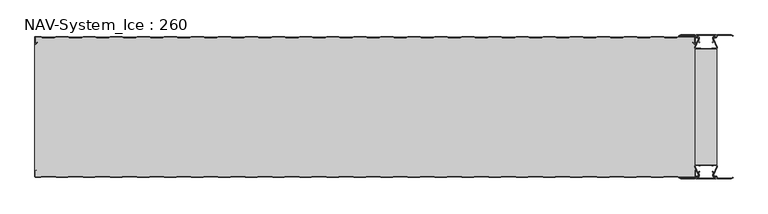
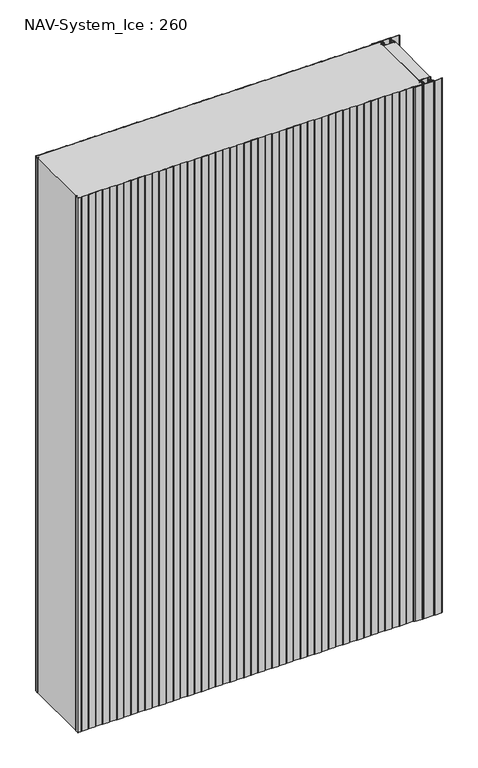
"""IFC4 building model written with IfcOpenShell, lengths in millimetres: plate geometry, NAV-System_Ice : 260."""

from ifc_helpers import new_model, si_unit, point, frame_2d, origin, origin_with_axes, place, context, project, spatial, polyline, circle_curve, trimmed, segment, composite_curve, outline, extrude, source, transform, mapped, element, save


def nav_system_ice_260_412087eb(model_context):
    return source(origin(), model_context, "Body", "SweptSolid", [
        extrude(outline(polyline([(630.0, -236.9693935), (590.0, -236.9693935), (590.0, -23.0306065), (630.0, -23.0306065), (630.0, -236.9693935)])), origin_with_axes(), (0.0, 0.0, 1.0), 2000.0),
        extrude(outline(composite_curve([segment(trimmed(circle_curve(frame_2d((599.1138734, -251.8417863)), 3.357884), [point((596.1169606, -253.3563483))], [point((597.7243711, -248.7848813))], False, "CARTESIAN"), True, "CONTINUOUS"), segment(polyline([(597.7243711, -248.7848813), (598.0554135, -249.5131744)]), True, "CONTINUOUS"), segment(trimmed(circle_curve(frame_2d((599.1138734, -251.8417863)), 2.557884), [point((598.0554135, -249.5131744))], [point((596.8448746, -253.0226397))], True, "CARTESIAN"), True, "CONTINUOUS"), segment(polyline([(596.8448746, -253.0226397), (597.7376807, -255.2182139)]), True, "CONTINUOUS"), segment(trimmed(circle_curve(frame_2d((593.7962884, -256.3456266)), 4.0994674), [point((597.7376807, -255.2182139))], [point((593.7866434, -260.4450826))], False, "CARTESIAN"), True, "CONTINUOUS"), segment(polyline([(593.7866434, -260.4450826), (592.2194901, -260.4092333)]), True, "CONTINUOUS"), segment(trimmed(circle_curve(frame_2d((592.2592624, -261.3027113)), 0.8943628), [point((592.2194901, -260.4092333))], [point((592.2592624, -262.1970741))], True, "CARTESIAN"), True, "CONTINUOUS"), segment(polyline([(592.2592624, -262.1970741), (627.7407376, -262.1970741)]), True, "CONTINUOUS"), segment(trimmed(circle_curve(frame_2d((627.7407376, -261.3027113)), 0.8943628), [point((627.7407376, -262.1970741))], [point((627.7805099, -260.4092333))], True, "CARTESIAN"), True, "CONTINUOUS"), segment(polyline([(627.7805099, -260.4092333), (626.2133566, -260.4450826)]), True, "CONTINUOUS"), segment(trimmed(circle_curve(frame_2d((626.2037116, -256.3456266)), 4.0994674), [point((626.2133566, -260.4450826))], [point((622.2623193, -255.2182139))], False, "CARTESIAN"), True, "CONTINUOUS"), segment(polyline([(622.2623193, -255.2182139), (623.1551254, -253.0226397)]), True, "CONTINUOUS"), segment(trimmed(circle_curve(frame_2d((620.8861266, -251.8417863)), 2.557884), [point((623.1551254, -253.0226397))], [point((621.9445865, -249.5131744))], True, "CARTESIAN"), True, "CONTINUOUS"), segment(polyline([(621.9445865, -249.5131744), (622.2756289, -248.7848813)]), True, "CONTINUOUS"), segment(trimmed(circle_curve(frame_2d((620.8861266, -251.8417863)), 3.357884), [point((622.2756289, -248.7848813))], [point((623.8830394, -253.3563483))], False, "CARTESIAN"), True, "CONTINUOUS"), segment(polyline([(623.8830394, -253.3563483), (623.0205049, -255.4774793)]), True, "CONTINUOUS"), segment(trimmed(circle_curve(frame_2d((626.2037116, -256.3456266)), 3.2994674), [point((623.0205049, -255.4774793))], [point((626.2037116, -259.645094))], True, "CARTESIAN"), True, "CONTINUOUS"), segment(polyline([(626.2037116, -259.645094), (627.7848884, -259.6089239)]), True, "CONTINUOUS"), segment(trimmed(circle_curve(frame_2d((627.7407376, -261.3027113)), 1.6943628), [point((627.7848884, -259.6089239))], [point((627.7407423, -262.9970741))], False, "CARTESIAN"), True, "CONTINUOUS"), segment(polyline([(627.7407423, -262.9970741), (592.2592577, -262.9970741)]), True, "CONTINUOUS"), segment(trimmed(circle_curve(frame_2d((592.2592624, -261.3027113)), 1.6943628), [point((592.2592577, -262.9970741))], [point((592.2151116, -259.6089239))], False, "CARTESIAN"), True, "CONTINUOUS"), segment(polyline([(592.2151116, -259.6089239), (593.7962884, -259.645094)]), True, "CONTINUOUS"), segment(trimmed(circle_curve(frame_2d((593.7962884, -256.3456266)), 3.2994674), [point((593.7962884, -259.645094))], [point((596.9794951, -255.4774793))], True, "CARTESIAN"), True, "CONTINUOUS"), segment(polyline([(596.9794951, -255.4774793), (596.1169606, -253.3563483)]), True, "CONTINUOUS")], self_intersect=False)), origin_with_axes(), (0.0, 0.0, 1.0), 2000.0),
        extrude(outline(composite_curve([segment(polyline([(596.1169606, -6.6436517), (596.9794951, -4.5225207)]), True, "CONTINUOUS"), segment(trimmed(circle_curve(frame_2d((593.7962884, -3.6543734)), 3.2994674), [point((596.9794951, -4.5225207))], [point((593.7962884, -0.354906))], True, "CARTESIAN"), True, "CONTINUOUS"), segment(polyline([(593.7962884, -0.354906), (592.2151116, -0.3910761)]), True, "CONTINUOUS"), segment(trimmed(circle_curve(frame_2d((592.2592624, 1.3027113)), 1.6943628), [point((592.2151116, -0.3910761))], [point((592.2592577, 2.9970741))], False, "CARTESIAN"), True, "CONTINUOUS"), segment(polyline([(592.2592577, 2.9970741), (627.7407423, 2.9970741)]), True, "CONTINUOUS"), segment(trimmed(circle_curve(frame_2d((627.7407376, 1.3027113)), 1.6943628), [point((627.7407423, 2.9970741))], [point((627.7848884, -0.3910761))], False, "CARTESIAN"), True, "CONTINUOUS"), segment(polyline([(627.7848884, -0.3910761), (626.2037116, -0.354906)]), True, "CONTINUOUS"), segment(trimmed(circle_curve(frame_2d((626.2037116, -3.6543734)), 3.2994674), [point((626.2037116, -0.354906))], [point((623.0205049, -4.5225207))], True, "CARTESIAN"), True, "CONTINUOUS"), segment(polyline([(623.0205049, -4.5225207), (623.8830394, -6.6436517)]), True, "CONTINUOUS"), segment(trimmed(circle_curve(frame_2d((620.8861266, -8.1582137)), 3.357884), [point((623.8830394, -6.6436517))], [point((622.2756289, -11.2151187))], False, "CARTESIAN"), True, "CONTINUOUS"), segment(polyline([(622.2756289, -11.2151187), (621.9445865, -10.4868256)]), True, "CONTINUOUS"), segment(trimmed(circle_curve(frame_2d((620.8861266, -8.1582137)), 2.557884), [point((621.9445865, -10.4868256))], [point((623.1551254, -6.9773603))], True, "CARTESIAN"), True, "CONTINUOUS"), segment(polyline([(623.1551254, -6.9773603), (622.2623193, -4.7817861)]), True, "CONTINUOUS"), segment(trimmed(circle_curve(frame_2d((626.2037116, -3.6543734)), 4.0994674), [point((622.2623193, -4.7817861))], [point((626.2133566, 0.4450826))], False, "CARTESIAN"), True, "CONTINUOUS"), segment(polyline([(626.2133566, 0.4450826), (627.7805099, 0.4092333)]), True, "CONTINUOUS"), segment(trimmed(circle_curve(frame_2d((627.7407376, 1.3027113)), 0.8943628), [point((627.7805099, 0.4092333))], [point((627.7407376, 2.1970741))], True, "CARTESIAN"), True, "CONTINUOUS"), segment(polyline([(627.7407376, 2.1970741), (592.2592624, 2.1970741)]), True, "CONTINUOUS"), segment(trimmed(circle_curve(frame_2d((592.2592624, 1.3027113)), 0.8943628), [point((592.2592624, 2.1970741))], [point((592.2194901, 0.4092333))], True, "CARTESIAN"), True, "CONTINUOUS"), segment(polyline([(592.2194901, 0.4092333), (593.7866434, 0.4450826)]), True, "CONTINUOUS"), segment(trimmed(circle_curve(frame_2d((593.7962884, -3.6543734)), 4.0994674), [point((593.7866434, 0.4450826))], [point((597.7376807, -4.7817861))], False, "CARTESIAN"), True, "CONTINUOUS"), segment(polyline([(597.7376807, -4.7817861), (596.8448746, -6.9773603)]), True, "CONTINUOUS"), segment(trimmed(circle_curve(frame_2d((599.1138734, -8.1582137)), 2.557884), [point((596.8448746, -6.9773603))], [point((598.0554135, -10.4868256))], True, "CARTESIAN"), True, "CONTINUOUS"), segment(polyline([(598.0554135, -10.4868256), (597.7243711, -11.2151187)]), True, "CONTINUOUS"), segment(trimmed(circle_curve(frame_2d((599.1138734, -8.1582137)), 3.357884), [point((597.7243711, -11.2151187))], [point((596.1169606, -6.6436517))], False, "CARTESIAN"), True, "CONTINUOUS")], self_intersect=False)), origin_with_axes(), (0.0, 0.0, 1.0), 2000.0),
        extrude(outline(composite_curve([segment(trimmed(circle_curve(frame_2d((591.9446371, -239.7746821)), 1.80576), [point((591.9446371, -237.9689221))], [point((590.2170288, -240.300171))], True, "CARTESIAN"), True, "CONTINUOUS"), segment(polyline([(590.2170288, -240.300171), (596.4690067, -254.9459892)]), True, "CONTINUOUS"), segment(trimmed(circle_curve(frame_2d((593.7254406, -255.9868127)), 2.93436), [point((596.4690067, -254.9459892))], [point((593.7254406, -258.9211727))], False, "CARTESIAN"), True, "CONTINUOUS"), segment(polyline([(593.7254406, -258.9211727), (592.1347887, -258.9211727)]), True, "CONTINUOUS"), segment(trimmed(circle_curve(frame_2d((592.1347887, -260.5012127)), 1.58004), [point((592.1347887, -258.9211727))], [point((590.931072, -259.4776931))], True, "CARTESIAN"), True, "CONTINUOUS"), segment(polyline([(590.931072, -259.4776931), (589.0191946, -263.0112573), (562.9417977, -263.0112573), (560.0, -261.2043676), (560.523373, -260.3522639), (563.2243806, -262.0112573), (588.4232658, -262.0112573), (590.0952671, -258.9210361)]), True, "CONTINUOUS"), segment(trimmed(circle_curve(frame_2d((592.1347887, -260.5012127)), 2.58004), [point((590.0952671, -258.9210361))], [point((592.1347887, -257.9211727))], False, "CARTESIAN"), True, "CONTINUOUS"), segment(polyline([(592.1347887, -257.9211727), (593.7254406, -257.9211727)]), True, "CONTINUOUS"), segment(trimmed(circle_curve(frame_2d((593.7254406, -255.9868127)), 1.93436), [point((593.7254406, -257.9211727))], [point((595.5404425, -255.3178459))], True, "CARTESIAN"), True, "CONTINUOUS"), segment(polyline([(595.5404425, -255.3178459), (589.2784311, -240.6484726)]), True, "CONTINUOUS"), segment(trimmed(circle_curve(frame_2d((591.9446225, -239.7747413)), 2.8057055), [point((589.2784311, -240.6484726))], [point((591.9446225, -236.9690357))], False, "CARTESIAN"), True, "CONTINUOUS"), segment(polyline([(591.9446225, -236.9690357), (595.755568, -236.9690357)]), True, "CONTINUOUS"), segment(trimmed(circle_curve(frame_2d((595.7555679, -239.0975873)), 2.1285516), [point((595.755568, -236.9690357))], [point((597.1042828, -237.4508633))], False, "CARTESIAN"), True, "CONTINUOUS"), segment(trimmed(circle_curve(frame_2d((598.2552034, -236.0456377)), 1.8163913), [point((597.1042828, -237.4508633))], [point((599.4059468, -237.4510085))], True, "CARTESIAN"), True, "CONTINUOUS"), segment(trimmed(circle_curve(frame_2d((600.7543352, -239.0977575)), 2.128364), [point((599.4059468, -237.4510085))], [point((600.7543352, -236.9693935))], False, "CARTESIAN"), True, "CONTINUOUS"), segment(polyline([(600.7543352, -236.9693935), (619.2454674, -236.9693935)]), True, "CONTINUOUS"), segment(trimmed(circle_curve(frame_2d((619.2454674, -239.0977884)), 2.1283949), [point((619.2454674, -236.9693935))], [point((620.594293, -237.4513576))], False, "CARTESIAN"), True, "CONTINUOUS"), segment(trimmed(circle_curve(frame_2d((621.7456338, -236.0459847)), 1.8167715), [point((620.594293, -237.4513576))], [point((622.8963798, -237.4518446))], True, "CARTESIAN"), True, "CONTINUOUS"), segment(trimmed(circle_curve(frame_2d((624.244105, -239.0983528)), 2.1277576), [point((622.8963798, -237.4518446))], [point((624.244105, -236.9705952))], False, "CARTESIAN"), True, "CONTINUOUS"), segment(polyline([(624.244105, -236.9705952), (628.0535675, -236.9705952)]), True, "CONTINUOUS"), segment(trimmed(circle_curve(frame_2d((628.0535675, -239.7787791)), 2.8081839), [point((628.0535675, -236.9705952))], [point((630.7287795, -240.6326746))], False, "CARTESIAN"), True, "CONTINUOUS"), segment(polyline([(630.7287795, -240.6326746), (624.4595575, -255.3178459)]), True, "CONTINUOUS"), segment(trimmed(circle_curve(frame_2d((626.2745595, -255.9868127)), 1.93436), [point((624.4595575, -255.3178459))], [point((626.2745595, -257.9211727))], True, "CARTESIAN"), True, "CONTINUOUS"), segment(polyline([(626.2745595, -257.9211727), (627.8652113, -257.9211727)]), True, "CONTINUOUS"), segment(trimmed(circle_curve(frame_2d((627.8652113, -260.5012127)), 2.58004), [point((627.8652113, -257.9211727))], [point((629.9047329, -258.9210361))], False, "CARTESIAN"), True, "CONTINUOUS"), segment(polyline([(629.9047329, -258.9210361), (631.5767342, -262.0112573), (656.7756194, -262.0112573), (659.476627, -260.3522639), (660.0, -261.2043676), (657.0582024, -263.0112573), (630.9808054, -263.0112573), (629.068928, -259.4776931)]), True, "CONTINUOUS"), segment(trimmed(circle_curve(frame_2d((627.8652113, -260.5012127)), 1.58004), [point((629.068928, -259.4776931))], [point((627.8652113, -258.9211727))], True, "CARTESIAN"), True, "CONTINUOUS"), segment(polyline([(627.8652113, -258.9211727), (626.2745595, -258.9211727)]), True, "CONTINUOUS"), segment(trimmed(circle_curve(frame_2d((626.2745595, -255.9868127)), 2.93436), [point((626.2745595, -258.9211727))], [point((623.5309933, -254.9459892))], False, "CARTESIAN"), True, "CONTINUOUS"), segment(polyline([(623.5309933, -254.9459892), (629.7829713, -240.300171)]), True, "CONTINUOUS"), segment(trimmed(circle_curve(frame_2d((628.0553629, -239.7746822)), 1.80576), [point((629.7829713, -240.300171))], [point((628.0553629, -237.9689222))], True, "CARTESIAN"), True, "CONTINUOUS"), segment(polyline([(628.0553629, -237.9689222), (623.5184731, -237.9689222)]), True, "CONTINUOUS"), segment(trimmed(circle_curve(frame_2d((621.7449981, -236.0455076)), 2.6162449), [point((623.5184731, -237.9689222))], [point((619.7766029, -237.7689222))], False, "CARTESIAN"), True, "CONTINUOUS"), segment(polyline([(619.7766029, -237.7689222), (600.2233971, -237.7689222)]), True, "CONTINUOUS"), segment(trimmed(circle_curve(frame_2d((598.255002, -236.0455076)), 2.6162449), [point((600.2233971, -237.7689222))], [point((596.4815269, -237.9689221))], False, "CARTESIAN"), True, "CONTINUOUS"), segment(polyline([(596.4815269, -237.9689221), (591.9446371, -237.9689221)]), True, "CONTINUOUS")], self_intersect=False)), origin_with_axes(), (0.0, 0.0, 1.0), 2000.0),
        extrude(outline(composite_curve([segment(polyline([(591.9446371, -22.0310778), (596.4815269, -22.0310778)]), True, "CONTINUOUS"), segment(trimmed(circle_curve(frame_2d((598.2550019, -23.9544924)), 2.6162449), [point((596.4815269, -22.0310778))], [point((600.2233971, -22.2310778))], False, "CARTESIAN"), True, "CONTINUOUS"), segment(polyline([(600.2233971, -22.2310778), (619.7766029, -22.2310778)]), True, "CONTINUOUS"), segment(trimmed(circle_curve(frame_2d((621.7449981, -23.9544924)), 2.6162449), [point((619.7766029, -22.2310778))], [point((623.5184731, -22.0310778))], False, "CARTESIAN"), True, "CONTINUOUS"), segment(polyline([(623.5184731, -22.0310778), (628.0553629, -22.0310778)]), True, "CONTINUOUS"), segment(trimmed(circle_curve(frame_2d((628.0553629, -20.2253178)), 1.80576), [point((628.0553629, -22.0310778))], [point((629.7829712, -19.699829))], True, "CARTESIAN"), True, "CONTINUOUS"), segment(polyline([(629.7829712, -19.699829), (623.5309933, -5.0540108)]), True, "CONTINUOUS"), segment(trimmed(circle_curve(frame_2d((626.2745594, -4.0131873)), 2.93436), [point((623.5309933, -5.0540108))], [point((626.2745594, -1.0788273))], False, "CARTESIAN"), True, "CONTINUOUS"), segment(polyline([(626.2745594, -1.0788273), (627.8652113, -1.0788273)]), True, "CONTINUOUS"), segment(trimmed(circle_curve(frame_2d((627.8652113, 0.5012127)), 1.58004), [point((627.8652113, -1.0788273))], [point((629.068928, -0.5223069))], True, "CARTESIAN"), True, "CONTINUOUS"), segment(polyline([(629.068928, -0.5223069), (630.9808054, 3.0112573), (657.0582023, 3.0112573), (660.0, 1.2043676), (659.476627, 0.3522639), (656.7756194, 2.0112573), (631.5767342, 2.0112573), (629.9047329, -1.0789639)]), True, "CONTINUOUS"), segment(trimmed(circle_curve(frame_2d((627.8652113, 0.5012127)), 2.58004), [point((629.9047329, -1.0789639))], [point((627.8652113, -2.0788273))], False, "CARTESIAN"), True, "CONTINUOUS"), segment(polyline([(627.8652113, -2.0788273), (626.2745594, -2.0788273)]), True, "CONTINUOUS"), segment(trimmed(circle_curve(frame_2d((626.2745594, -4.0131873)), 1.93436), [point((626.2745594, -2.0788273))], [point((624.4595575, -4.6821541))], True, "CARTESIAN"), True, "CONTINUOUS"), segment(polyline([(624.4595575, -4.6821541), (630.7287795, -19.3673254)]), True, "CONTINUOUS"), segment(trimmed(circle_curve(frame_2d((628.0535675, -20.2212209)), 2.8081839), [point((630.7287795, -19.3673254))], [point((628.0535675, -23.0294048))], False, "CARTESIAN"), True, "CONTINUOUS"), segment(polyline([(628.0535675, -23.0294048), (624.244105, -23.0294048)]), True, "CONTINUOUS"), segment(trimmed(circle_curve(frame_2d((624.244105, -20.9016472)), 2.1277576), [point((624.244105, -23.0294048))], [point((622.8963798, -22.5481554))], False, "CARTESIAN"), True, "CONTINUOUS"), segment(trimmed(circle_curve(frame_2d((621.7456337, -23.9540153)), 1.8167716), [point((622.8963798, -22.5481554))], [point((620.5942929, -22.5486423))], True, "CARTESIAN"), True, "CONTINUOUS"), segment(trimmed(circle_curve(frame_2d((619.2454674, -20.9022116)), 2.1283949), [point((620.5942929, -22.5486423))], [point((619.2454674, -23.0306065))], False, "CARTESIAN"), True, "CONTINUOUS"), segment(polyline([(619.2454674, -23.0306065), (600.7543352, -23.0306065)]), True, "CONTINUOUS"), segment(trimmed(circle_curve(frame_2d((600.7543352, -20.9022425)), 2.128364), [point((600.7543352, -23.0306065))], [point((599.4059468, -22.5489915))], False, "CARTESIAN"), True, "CONTINUOUS"), segment(trimmed(circle_curve(frame_2d((598.2552034, -23.9543623)), 1.8163912), [point((599.4059468, -22.5489915))], [point((597.1042828, -22.5491367))], True, "CARTESIAN"), True, "CONTINUOUS"), segment(trimmed(circle_curve(frame_2d((595.7555679, -20.9024127)), 2.1285516), [point((597.1042828, -22.5491367))], [point((595.7555679, -23.0309643))], False, "CARTESIAN"), True, "CONTINUOUS"), segment(polyline([(595.7555679, -23.0309643), (591.9446225, -23.0309643)]), True, "CONTINUOUS"), segment(trimmed(circle_curve(frame_2d((591.9446225, -20.2252587)), 2.8057055), [point((591.9446225, -23.0309643))], [point((589.2784311, -19.3515274))], False, "CARTESIAN"), True, "CONTINUOUS"), segment(polyline([(589.2784311, -19.3515274), (595.5404425, -4.6821541)]), True, "CONTINUOUS"), segment(trimmed(circle_curve(frame_2d((593.7254406, -4.0131873)), 1.93436), [point((595.5404425, -4.6821541))], [point((593.7254406, -2.0788273))], True, "CARTESIAN"), True, "CONTINUOUS"), segment(polyline([(593.7254406, -2.0788273), (592.1347887, -2.0788273)]), True, "CONTINUOUS"), segment(trimmed(circle_curve(frame_2d((592.1347887, 0.5012127)), 2.58004), [point((592.1347887, -2.0788273))], [point((590.0952671, -1.0789639))], False, "CARTESIAN"), True, "CONTINUOUS"), segment(polyline([(590.0952671, -1.0789639), (588.4232658, 2.0112573), (563.2243806, 2.0112573), (560.523373, 0.3522639), (560.0, 1.2043676), (562.9417977, 3.0112573), (589.0191946, 3.0112573), (590.931072, -0.5223069)]), True, "CONTINUOUS"), segment(trimmed(circle_curve(frame_2d((592.1347887, 0.5012127)), 1.58004), [point((590.931072, -0.5223069))], [point((592.1347887, -1.0788273))], True, "CARTESIAN"), True, "CONTINUOUS"), segment(polyline([(592.1347887, -1.0788273), (593.7254406, -1.0788273)]), True, "CONTINUOUS"), segment(trimmed(circle_curve(frame_2d((593.7254406, -4.0131873)), 2.93436), [point((593.7254406, -1.0788273))], [point((596.4690067, -5.0540108))], False, "CARTESIAN"), True, "CONTINUOUS"), segment(polyline([(596.4690067, -5.0540108), (590.2170288, -19.699829)]), True, "CONTINUOUS"), segment(trimmed(circle_curve(frame_2d((591.9446371, -20.2253178)), 1.80576), [point((590.2170288, -19.699829))], [point((591.9446371, -22.0310778))], True, "CARTESIAN"), True, "CONTINUOUS")], self_intersect=False)), origin_with_axes(), (0.0, 0.0, 1.0), 2000.0),
        extrude(outline(composite_curve([segment(polyline([(559.1298221, -0.8), (556.1298221, -1.8), (533.8701779, -1.8), (530.8701779, -0.8), (509.1298221, -0.8), (506.1298221, -1.8), (483.8701779, -1.8), (480.8701779, -0.8), (459.1298221, -0.8), (456.1298221, -1.8), (433.8701779, -1.8), (430.8701779, -0.8), (409.1298221, -0.8), (406.1298221, -1.8), (383.8701779, -1.8), (380.8701779, -0.8), (359.1298221, -0.8), (356.1298221, -1.8), (333.8701779, -1.8), (330.8701779, -0.8), (309.1298221, -0.8), (306.1298221, -1.8), (283.8701779, -1.8), (280.8701779, -0.8), (259.1298221, -0.8), (256.1298221, -1.8), (233.8701779, -1.8), (230.8701779, -0.8), (209.1298221, -0.8), (206.1298221, -1.8), (183.8701779, -1.8), (180.8701779, -0.8), (159.1298221, -0.8), (156.1298221, -1.8), (133.8701779, -1.8), (130.8701779, -0.8), (109.1298221, -0.8), (106.1298221, -1.8), (83.8701779, -1.8), (80.8701779, -0.8), (59.1298221, -0.8), (56.1298221, -1.8), (33.8701779, -1.8), (30.8701779, -0.8), (9.1298221, -0.8), (6.1298221, -1.8), (-16.1298221, -1.8), (-19.1298221, -0.8), (-40.8701779, -0.8), (-43.8701779, -1.8), (-66.1298221, -1.8), (-69.1298221, -0.8), (-90.8701779, -0.8), (-93.8701779, -1.8), (-116.1298221, -1.8), (-119.1298221, -0.8), (-140.8701779, -0.8), (-143.8701779, -1.8), (-166.1298221, -1.8), (-169.1298221, -0.8), (-190.8701779, -0.8), (-193.8701779, -1.8), (-216.1298221, -1.8), (-219.1298221, -0.8), (-240.8701779, -0.8), (-243.8701779, -1.8), (-266.1298221, -1.8), (-269.1298221, -0.8), (-290.8701779, -0.8), (-293.8701779, -1.8), (-316.1298221, -1.8), (-319.1298221, -0.8), (-340.8701779, -0.8), (-343.8701779, -1.8), (-366.1298221, -1.8), (-369.1298221, -0.8), (-390.8701779, -0.8), (-393.8701779, -1.8), (-416.1298221, -1.8), (-419.1298221, -0.8), (-440.8701779, -0.8), (-443.8701779, -1.8), (-466.1298221, -1.8), (-469.1298221, -0.8), (-490.8701779, -0.8), (-493.8701779, -1.8), (-516.1298221, -1.8), (-519.1298221, -0.8), (-540.8701779, -0.8), (-543.8701779, -1.8), (-566.1298221, -1.8), (-569.1298221, -0.8), (-590.8701779, -0.8), (-593.8701779, -1.8), (-616.1298221, -1.8), (-619.1298221, -0.8), (-628.7, -0.8)]), True, "CONTINUOUS"), segment(trimmed(circle_curve(frame_2d((-628.7, -1.3)), 0.5), [point((-628.7, -0.8))], [point((-629.2, -1.3))], True, "CARTESIAN"), True, "CONTINUOUS"), segment(polyline([(-629.2, -1.3), (-629.2, -12.5857864)]), True, "CONTINUOUS"), segment(trimmed(circle_curve(frame_2d((-628.7, -12.5857864)), 0.5), [point((-629.2, -12.5857864))], [point((-628.3464466, -12.9393398))], True, "CARTESIAN"), True, "CONTINUOUS"), segment(polyline([(-628.3464466, -12.9393398), (-625.9205321, -10.5134253), (-625.3548467, -11.0791108), (-627.7807612, -13.5050253)]), True, "CONTINUOUS"), segment(trimmed(circle_curve(frame_2d((-628.7, -12.5857864)), 1.3), [point((-627.7807612, -13.5050253))], [point((-630.0, -12.5857864))], False, "CARTESIAN"), True, "CONTINUOUS"), segment(polyline([(-630.0, -12.5857864), (-630.0, -1.3)]), True, "CONTINUOUS"), segment(trimmed(circle_curve(frame_2d((-628.7, -1.3)), 1.3), [point((-630.0, -1.3))], [point((-628.7, 0.0))], False, "CARTESIAN"), True, "CONTINUOUS"), segment(polyline([(-628.7, 0.0), (-619.0, 0.0), (-616.0, -1.0), (-594.0, -1.0), (-591.0, 0.0), (-569.0, 0.0), (-566.0, -1.0), (-544.0, -1.0), (-541.0, 0.0), (-519.0, 0.0), (-516.0, -1.0), (-494.0, -1.0), (-491.0, 0.0), (-469.0, 0.0), (-466.0, -1.0), (-444.0, -1.0), (-441.0, 0.0), (-419.0, 0.0), (-416.0, -1.0), (-394.0, -1.0), (-391.0, 0.0), (-369.0, 0.0), (-366.0, -1.0), (-344.0, -1.0), (-341.0, 0.0), (-319.0, 0.0), (-316.0, -1.0), (-294.0, -1.0), (-291.0, 0.0), (-269.0, 0.0), (-266.0, -1.0), (-244.0, -1.0), (-241.0, 0.0), (-219.0, 0.0), (-216.0, -1.0), (-194.0, -1.0), (-191.0, 0.0), (-169.0, 0.0), (-166.0, -1.0), (-144.0, -1.0), (-141.0, 0.0), (-119.0, 0.0), (-116.0, -1.0), (-94.0, -1.0), (-91.0, 0.0), (-69.0, 0.0), (-66.0, -1.0), (-44.0, -1.0), (-41.0, 0.0), (-19.0, 0.0), (-16.0, -1.0), (6.0, -1.0), (9.0, 0.0), (31.0, 0.0), (34.0, -1.0), (56.0, -1.0), (59.0, 0.0), (81.0, 0.0), (84.0, -1.0), (106.0, -1.0), (109.0, 0.0), (131.0, 0.0), (134.0, -1.0), (156.0, -1.0), (159.0, 0.0), (181.0, 0.0), (184.0, -1.0), (206.0, -1.0), (209.0, 0.0), (231.0, 0.0), (234.0, -1.0), (256.0, -1.0), (259.0, 0.0), (281.0, 0.0), (284.0, -1.0), (306.0, -1.0), (309.0, 0.0), (331.0, 0.0), (334.0, -1.0), (356.0, -1.0), (359.0, 0.0), (381.0, 0.0), (384.0, -1.0), (406.0, -1.0), (409.0, 0.0), (431.0, 0.0), (434.0, -1.0), (456.0, -1.0), (459.0, 0.0), (481.0, 0.0), (484.0, -1.0), (506.0, -1.0), (509.0, 0.0), (531.0, 0.0), (534.0, -1.0), (556.0, -1.0), (559.0, 0.0), (588.7, 0.0)]), True, "CONTINUOUS"), segment(trimmed(circle_curve(frame_2d((588.7, -1.3)), 1.3), [point((588.7, 0.0))], [point((590.0, -1.3))], False, "CARTESIAN"), True, "CONTINUOUS"), segment(polyline([(590.0, -1.3), (590.0, -12.5857864)]), True, "CONTINUOUS"), segment(trimmed(circle_curve(frame_2d((588.7, -12.5857864)), 1.3), [point((590.0, -12.5857864))], [point((587.7807612, -13.5050253))], False, "CARTESIAN"), True, "CONTINUOUS"), segment(polyline([(587.7807612, -13.5050253), (585.3548467, -11.0791108), (585.9205321, -10.5134253), (588.3464466, -12.9393398)]), True, "CONTINUOUS"), segment(trimmed(circle_curve(frame_2d((588.7, -12.5857864)), 0.5), [point((588.3464466, -12.9393398))], [point((589.2, -12.5857864))], True, "CARTESIAN"), True, "CONTINUOUS"), segment(polyline([(589.2, -12.5857864), (589.2, -1.3)]), True, "CONTINUOUS"), segment(trimmed(circle_curve(frame_2d((588.7, -1.3)), 0.5), [point((589.2, -1.3))], [point((588.7, -0.8))], True, "CARTESIAN"), True, "CONTINUOUS"), segment(polyline([(588.7, -0.8), (559.1298221, -0.8)]), True, "CONTINUOUS")], self_intersect=False)), origin_with_axes(), (0.0, 0.0, 1.0), 2000.0),
        extrude(outline(composite_curve([segment(polyline([(559.1298221, -0.8), (588.7, -0.8)]), True, "CONTINUOUS"), segment(trimmed(circle_curve(frame_2d((588.7, -1.3)), 0.5), [point((588.7, -0.8))], [point((589.2, -1.3))], False, "CARTESIAN"), True, "CONTINUOUS"), segment(polyline([(589.2, -1.3), (589.2, -12.5857864)]), True, "CONTINUOUS"), segment(trimmed(circle_curve(frame_2d((588.7, -12.5857864)), 0.5), [point((589.2, -12.5857864))], [point((588.3464466, -12.9393398))], False, "CARTESIAN"), True, "CONTINUOUS"), segment(polyline([(588.3464466, -12.9393398), (585.9205321, -10.5134253), (585.3548467, -11.0791108), (587.7807612, -13.5050253)]), True, "CONTINUOUS"), segment(trimmed(circle_curve(frame_2d((588.7, -12.5857864)), 1.3), [point((587.7807612, -13.5050253))], [point((588.7, -13.8857864))], True, "CARTESIAN"), True, "CONTINUOUS"), segment(polyline([(588.7, -13.8857864), (590.0, -13.8857864), (590.0, -246.1142136), (588.7, -246.1142136)]), True, "CONTINUOUS"), segment(trimmed(circle_curve(frame_2d((588.7, -247.4142136)), 1.3), [point((588.7, -246.1142136))], [point((587.7807612, -246.4949747))], True, "CARTESIAN"), True, "CONTINUOUS"), segment(polyline([(587.7807612, -246.4949747), (585.3548467, -248.9208892), (585.9205321, -249.4865747), (588.3464466, -247.0606602)]), True, "CONTINUOUS"), segment(trimmed(circle_curve(frame_2d((588.7, -247.4142136)), 0.5), [point((588.3464466, -247.0606602))], [point((589.2, -247.4142136))], False, "CARTESIAN"), True, "CONTINUOUS"), segment(polyline([(589.2, -247.4142136), (589.2, -258.7)]), True, "CONTINUOUS"), segment(trimmed(circle_curve(frame_2d((588.7, -258.7)), 0.5), [point((589.2, -258.7))], [point((588.7, -259.2))], False, "CARTESIAN"), True, "CONTINUOUS"), segment(polyline([(588.7, -259.2), (559.1298221, -259.2), (556.1298221, -258.2), (533.8701779, -258.2), (530.8701779, -259.2), (509.1298221, -259.2), (506.1298221, -258.2), (483.8701779, -258.2), (480.8701779, -259.2), (459.1298221, -259.2), (456.1298221, -258.2), (433.8701779, -258.2), (430.8701779, -259.2), (409.1298221, -259.2), (406.1298221, -258.2), (383.8701779, -258.2), (380.8701779, -259.2), (359.1298221, -259.2), (356.1298221, -258.2), (333.8701779, -258.2), (330.8701779, -259.2), (309.1298221, -259.2), (306.1298221, -258.2), (283.8701779, -258.2), (280.8701779, -259.2), (259.1298221, -259.2), (256.1298221, -258.2), (233.8701779, -258.2), (230.8701779, -259.2), (209.1298221, -259.2), (206.1298221, -258.2), (183.8701779, -258.2), (180.8701779, -259.2), (159.1298221, -259.2), (156.1298221, -258.2), (133.8701779, -258.2), (130.8701779, -259.2), (109.1298221, -259.2), (106.1298221, -258.2), (83.8701779, -258.2), (80.8701779, -259.2), (59.1298221, -259.2), (56.1298221, -258.2), (33.8701779, -258.2), (30.8701779, -259.2), (9.1298221, -259.2), (6.1298221, -258.2), (-16.1298221, -258.2), (-19.1298221, -259.2), (-40.8701779, -259.2), (-43.8701779, -258.2), (-66.1298221, -258.2), (-69.1298221, -259.2), (-90.8701779, -259.2), (-93.8701779, -258.2), (-116.1298221, -258.2), (-119.1298221, -259.2), (-140.8701779, -259.2), (-143.8701779, -258.2), (-166.1298221, -258.2), (-169.1298221, -259.2), (-190.8701779, -259.2), (-193.8701779, -258.2), (-216.1298221, -258.2), (-219.1298221, -259.2), (-240.8701779, -259.2), (-243.8701779, -258.2), (-266.1298221, -258.2), (-269.1298221, -259.2), (-290.8701779, -259.2), (-293.8701779, -258.2), (-316.1298221, -258.2), (-319.1298221, -259.2), (-340.8701779, -259.2), (-343.8701779, -258.2), (-366.1298221, -258.2), (-369.1298221, -259.2), (-390.8701779, -259.2), (-393.8701779, -258.2), (-416.1298221, -258.2), (-419.1298221, -259.2), (-440.8701779, -259.2), (-443.8701779, -258.2), (-466.1298221, -258.2), (-469.1298221, -259.2), (-490.8701779, -259.2), (-493.8701779, -258.2), (-516.1298221, -258.2), (-519.1298221, -259.2), (-540.8701779, -259.2), (-543.8701779, -258.2), (-566.1298221, -258.2), (-569.1298221, -259.2), (-590.8701779, -259.2), (-593.8701779, -258.2), (-616.1298221, -258.2), (-619.1298221, -259.2), (-628.7, -259.2)]), True, "CONTINUOUS"), segment(trimmed(circle_curve(frame_2d((-628.7, -258.7)), 0.5), [point((-628.7, -259.2))], [point((-629.2, -258.7))], False, "CARTESIAN"), True, "CONTINUOUS"), segment(polyline([(-629.2, -258.7), (-629.2, -247.4142136)]), True, "CONTINUOUS"), segment(trimmed(circle_curve(frame_2d((-628.7, -247.4142136)), 0.5), [point((-629.2, -247.4142136))], [point((-628.3464466, -247.0606602))], False, "CARTESIAN"), True, "CONTINUOUS"), segment(polyline([(-628.3464466, -247.0606602), (-625.9205321, -249.4865747), (-625.3548467, -248.9208892), (-627.7807612, -246.4949747)]), True, "CONTINUOUS"), segment(trimmed(circle_curve(frame_2d((-628.7, -247.4142136)), 1.3), [point((-627.7807612, -246.4949747))], [point((-628.7, -246.1142136))], True, "CARTESIAN"), True, "CONTINUOUS"), segment(polyline([(-628.7, -246.1142136), (-630.0, -246.1142136), (-630.0, -13.8857864), (-628.7, -13.8857864)]), True, "CONTINUOUS"), segment(trimmed(circle_curve(frame_2d((-628.7, -12.5857864)), 1.3), [point((-628.7, -13.8857864))], [point((-627.7807612, -13.5050253))], True, "CARTESIAN"), True, "CONTINUOUS"), segment(polyline([(-627.7807612, -13.5050253), (-625.3548467, -11.0791108), (-625.9205321, -10.5134253), (-628.3464466, -12.9393398)]), True, "CONTINUOUS"), segment(trimmed(circle_curve(frame_2d((-628.7, -12.5857864)), 0.5), [point((-628.3464466, -12.9393398))], [point((-629.2, -12.5857864))], False, "CARTESIAN"), True, "CONTINUOUS"), segment(polyline([(-629.2, -12.5857864), (-629.2, -1.3)]), True, "CONTINUOUS"), segment(trimmed(circle_curve(frame_2d((-628.7, -1.3)), 0.5), [point((-629.2, -1.3))], [point((-628.7, -0.8))], False, "CARTESIAN"), True, "CONTINUOUS"), segment(polyline([(-628.7, -0.8), (-619.1298221, -0.8), (-616.1298221, -1.8), (-593.8701779, -1.8), (-590.8701779, -0.8), (-569.1298221, -0.8), (-566.1298221, -1.8), (-543.8701779, -1.8), (-540.8701779, -0.8), (-519.1298221, -0.8), (-516.1298221, -1.8), (-493.8701779, -1.8), (-490.8701779, -0.8), (-469.1298221, -0.8), (-466.1298221, -1.8), (-443.8701779, -1.8), (-440.8701779, -0.8), (-419.1298221, -0.8), (-416.1298221, -1.8), (-393.8701779, -1.8), (-390.8701779, -0.8), (-369.1298221, -0.8), (-366.1298221, -1.8), (-343.8701779, -1.8), (-340.8701779, -0.8), (-319.1298221, -0.8), (-316.1298221, -1.8), (-293.8701779, -1.8), (-290.8701779, -0.8), (-269.1298221, -0.8), (-266.1298221, -1.8), (-243.8701779, -1.8), (-240.8701779, -0.8), (-219.1298221, -0.8), (-216.1298221, -1.8), (-193.8701779, -1.8), (-190.8701779, -0.8), (-169.1298221, -0.8), (-166.1298221, -1.8), (-143.8701779, -1.8), (-140.8701779, -0.8), (-119.1298221, -0.8), (-116.1298221, -1.8), (-93.8701779, -1.8), (-90.8701779, -0.8), (-69.1298221, -0.8), (-66.1298221, -1.8), (-43.8701779, -1.8), (-40.8701779, -0.8), (-19.1298221, -0.8), (-16.1298221, -1.8), (6.1298221, -1.8), (9.1298221, -0.8), (30.8701779, -0.8), (33.8701779, -1.8), (56.1298221, -1.8), (59.1298221, -0.8), (80.8701779, -0.8), (83.8701779, -1.8), (106.1298221, -1.8), (109.1298221, -0.8), (130.8701779, -0.8), (133.8701779, -1.8), (156.1298221, -1.8), (159.1298221, -0.8), (180.8701779, -0.8), (183.8701779, -1.8), (206.1298221, -1.8), (209.1298221, -0.8), (230.8701779, -0.8), (233.8701779, -1.8), (256.1298221, -1.8), (259.1298221, -0.8), (280.8701779, -0.8), (283.8701779, -1.8), (306.1298221, -1.8), (309.1298221, -0.8), (330.8701779, -0.8), (333.8701779, -1.8), (356.1298221, -1.8), (359.1298221, -0.8), (380.8701779, -0.8), (383.8701779, -1.8), (406.1298221, -1.8), (409.1298221, -0.8), (430.8701779, -0.8), (433.8701779, -1.8), (456.1298221, -1.8), (459.1298221, -0.8), (480.8701779, -0.8), (483.8701779, -1.8), (506.1298221, -1.8), (509.1298221, -0.8), (530.8701779, -0.8), (533.8701779, -1.8), (556.1298221, -1.8), (559.1298221, -0.8)]), True, "CONTINUOUS")], self_intersect=False)), origin_with_axes(), (0.0, 0.0, 1.0), 2000.0),
        extrude(outline(composite_curve([segment(polyline([(559.1298221, -259.2), (588.7, -259.2)]), True, "CONTINUOUS"), segment(trimmed(circle_curve(frame_2d((588.7, -258.7)), 0.5), [point((588.7, -259.2))], [point((589.2, -258.7))], True, "CARTESIAN"), True, "CONTINUOUS"), segment(polyline([(589.2, -258.7), (589.2, -247.4142136)]), True, "CONTINUOUS"), segment(trimmed(circle_curve(frame_2d((588.7, -247.4142136)), 0.5), [point((589.2, -247.4142136))], [point((588.3464466, -247.0606602))], True, "CARTESIAN"), True, "CONTINUOUS"), segment(polyline([(588.3464466, -247.0606602), (585.9205321, -249.4865747), (585.3548467, -248.9208892), (587.7807612, -246.4949747)]), True, "CONTINUOUS"), segment(trimmed(circle_curve(frame_2d((588.7, -247.4142136)), 1.3), [point((587.7807612, -246.4949747))], [point((590.0, -247.4142136))], False, "CARTESIAN"), True, "CONTINUOUS"), segment(polyline([(590.0, -247.4142136), (590.0, -258.7)]), True, "CONTINUOUS"), segment(trimmed(circle_curve(frame_2d((588.7, -258.7)), 1.3), [point((590.0, -258.7))], [point((588.7, -260.0))], False, "CARTESIAN"), True, "CONTINUOUS"), segment(polyline([(588.7, -260.0), (559.0, -260.0), (556.0, -259.0), (534.0, -259.0), (531.0, -260.0), (509.0, -260.0), (506.0, -259.0), (484.0, -259.0), (481.0, -260.0), (459.0, -260.0), (456.0, -259.0), (434.0, -259.0), (431.0, -260.0), (409.0, -260.0), (406.0, -259.0), (384.0, -259.0), (381.0, -260.0), (359.0, -260.0), (356.0, -259.0), (334.0, -259.0), (331.0, -260.0), (309.0, -260.0), (306.0, -259.0), (284.0, -259.0), (281.0, -260.0), (259.0, -260.0), (256.0, -259.0), (234.0, -259.0), (231.0, -260.0), (209.0, -260.0), (206.0, -259.0), (184.0, -259.0), (181.0, -260.0), (159.0, -260.0), (156.0, -259.0), (134.0, -259.0), (131.0, -260.0), (109.0, -260.0), (106.0, -259.0), (84.0, -259.0), (81.0, -260.0), (59.0, -260.0), (56.0, -259.0), (34.0, -259.0), (31.0, -260.0), (9.0, -260.0), (6.0, -259.0), (-16.0, -259.0), (-19.0, -260.0), (-41.0, -260.0), (-44.0, -259.0), (-66.0, -259.0), (-69.0, -260.0), (-91.0, -260.0), (-94.0, -259.0), (-116.0, -259.0), (-119.0, -260.0), (-141.0, -260.0), (-144.0, -259.0), (-166.0, -259.0), (-169.0, -260.0), (-191.0, -260.0), (-194.0, -259.0), (-216.0, -259.0), (-219.0, -260.0), (-241.0, -260.0), (-244.0, -259.0), (-266.0, -259.0), (-269.0, -260.0), (-291.0, -260.0), (-294.0, -259.0), (-316.0, -259.0), (-319.0, -260.0), (-341.0, -260.0), (-344.0, -259.0), (-366.0, -259.0), (-369.0, -260.0), (-391.0, -260.0), (-394.0, -259.0), (-416.0, -259.0), (-419.0, -260.0), (-441.0, -260.0), (-444.0, -259.0), (-466.0, -259.0), (-469.0, -260.0), (-491.0, -260.0), (-494.0, -259.0), (-516.0, -259.0), (-519.0, -260.0), (-541.0, -260.0), (-544.0, -259.0), (-566.0, -259.0), (-569.0, -260.0), (-591.0, -260.0), (-594.0, -259.0), (-616.0, -259.0), (-619.0, -260.0), (-628.7, -260.0)]), True, "CONTINUOUS"), segment(trimmed(circle_curve(frame_2d((-628.7, -258.7)), 1.3), [point((-628.7, -260.0))], [point((-630.0, -258.7))], False, "CARTESIAN"), True, "CONTINUOUS"), segment(polyline([(-630.0, -258.7), (-630.0, -247.4142136)]), True, "CONTINUOUS"), segment(trimmed(circle_curve(frame_2d((-628.7, -247.4142136)), 1.3), [point((-630.0, -247.4142136))], [point((-627.7807612, -246.4949747))], False, "CARTESIAN"), True, "CONTINUOUS"), segment(polyline([(-627.7807612, -246.4949747), (-625.3548467, -248.9208892), (-625.9205321, -249.4865747), (-628.3464466, -247.0606602)]), True, "CONTINUOUS"), segment(trimmed(circle_curve(frame_2d((-628.7, -247.4142136)), 0.5), [point((-628.3464466, -247.0606602))], [point((-629.2, -247.4142136))], True, "CARTESIAN"), True, "CONTINUOUS"), segment(polyline([(-629.2, -247.4142136), (-629.2, -258.7)]), True, "CONTINUOUS"), segment(trimmed(circle_curve(frame_2d((-628.7, -258.7)), 0.5), [point((-629.2, -258.7))], [point((-628.7, -259.2))], True, "CARTESIAN"), True, "CONTINUOUS"), segment(polyline([(-628.7, -259.2), (-619.1298221, -259.2), (-616.1298221, -258.2), (-593.8701779, -258.2), (-590.8701779, -259.2), (-569.1298221, -259.2), (-566.1298221, -258.2), (-543.8701779, -258.2), (-540.8701779, -259.2), (-519.1298221, -259.2), (-516.1298221, -258.2), (-493.8701779, -258.2), (-490.8701779, -259.2), (-469.1298221, -259.2), (-466.1298221, -258.2), (-443.8701779, -258.2), (-440.8701779, -259.2), (-419.1298221, -259.2), (-416.1298221, -258.2), (-393.8701779, -258.2), (-390.8701779, -259.2), (-369.1298221, -259.2), (-366.1298221, -258.2), (-343.8701779, -258.2), (-340.8701779, -259.2), (-319.1298221, -259.2), (-316.1298221, -258.2), (-293.8701779, -258.2), (-290.8701779, -259.2), (-269.1298221, -259.2), (-266.1298221, -258.2), (-243.8701779, -258.2), (-240.8701779, -259.2), (-219.1298221, -259.2), (-216.1298221, -258.2), (-193.8701779, -258.2), (-190.8701779, -259.2), (-169.1298221, -259.2), (-166.1298221, -258.2), (-143.8701779, -258.2), (-140.8701779, -259.2), (-119.1298221, -259.2), (-116.1298221, -258.2), (-93.8701779, -258.2), (-90.8701779, -259.2), (-69.1298221, -259.2), (-66.1298221, -258.2), (-43.8701779, -258.2), (-40.8701779, -259.2), (-19.1298221, -259.2), (-16.1298221, -258.2), (6.1298221, -258.2), (9.1298221, -259.2), (30.8701779, -259.2), (33.8701779, -258.2), (56.1298221, -258.2), (59.1298221, -259.2), (80.8701779, -259.2), (83.8701779, -258.2), (106.1298221, -258.2), (109.1298221, -259.2), (130.8701779, -259.2), (133.8701779, -258.2), (156.1298221, -258.2), (159.1298221, -259.2), (180.8701779, -259.2), (183.8701779, -258.2), (206.1298221, -258.2), (209.1298221, -259.2), (230.8701779, -259.2), (233.8701779, -258.2), (256.1298221, -258.2), (259.1298221, -259.2), (280.8701779, -259.2), (283.8701779, -258.2), (306.1298221, -258.2), (309.1298221, -259.2), (330.8701779, -259.2), (333.8701779, -258.2), (356.1298221, -258.2), (359.1298221, -259.2), (380.8701779, -259.2), (383.8701779, -258.2), (406.1298221, -258.2), (409.1298221, -259.2), (430.8701779, -259.2), (433.8701779, -258.2), (456.1298221, -258.2), (459.1298221, -259.2), (480.8701779, -259.2), (483.8701779, -258.2), (506.1298221, -258.2), (509.1298221, -259.2), (530.8701779, -259.2), (533.8701779, -258.2), (556.1298221, -258.2), (559.1298221, -259.2)]), True, "CONTINUOUS")], self_intersect=False)), origin_with_axes(), (0.0, 0.0, 1.0), 2000.0),
    ])


if __name__ == "__main__":
    model = new_model("IFC4")
    model_context = context("Model", 3, world=origin())
    ifc_project = project(units=[si_unit("LENGTHUNIT", "METRE", prefix="MILLI")], contexts=[model_context])
    site = spatial("IfcSite", under=ifc_project)
    building = spatial("IfcBuilding", under=site)
    placement = place(None, origin())
    nav_system_ice_260_shape = nav_system_ice_260_412087eb(model_context)
    element("IfcPlate", 1, ObjectType="NAV-System_Ice : 260", at=placement, inside=building, context=model_context, shape_type="MappedRepresentation", body=[
        mapped(nav_system_ice_260_shape, transform((0.0, 0.0, 0.0), x_axis=(1.0, 0.0, 0.0), y_axis=(0.0, 1.0, 0.0), z_axis=(0.0, 0.0, 1.0))),
    ])
    save(model, "model.ifc")
